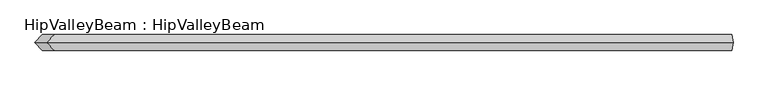
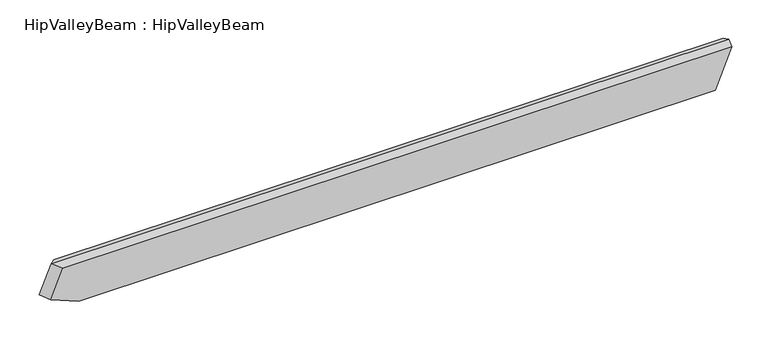
"""IFC4 building model written with IfcOpenShell, lengths in millimetres: beam geometry, HipValleyBeam : HipValleyBeam."""

from ifc_helpers import new_model, si_unit, origin, place, context, project, spatial, faceted_brep, source, transform, mapped, element, save


def hipvalleybeam_hipvalleybeam_26c04331(model_context):
    return source(origin(), model_context, "Body", "Brep", [
        faceted_brep([(1042.6634061, 25.0, -140.0), (1042.6634061, -25.0, -140.0), (-1024.6853619, -25.0, -140.0), (-1024.6853619, 25.0, -140.0), (1095.960583, 25.0, -9.4491118), (-1114.9292013, 25.0, -103.1581068), (-1076.6726643, 25.0, -9.4491118), (1095.960583, -25.0, -9.4491118), (-1076.6726643, -25.0, -9.4491118), (-1114.9292013, -25.0, -103.1581068), (1099.8181668, 0.0, 0.0), (-1099.8181668, 0.0, 0.0), (-1138.0747038, 0.0, -93.708995)], [[[0, 1, 2, 3]], [[4, 0, 3, 5, 6]], [[1, 7, 8, 9, 2]], [[1, 0, 4, 10, 7]], [[11, 6, 5, 12]], [[8, 11, 12, 9]], [[11, 10, 4, 6]], [[3, 2, 9, 12, 5]], [[10, 11, 8, 7]]]),
    ])


if __name__ == "__main__":
    model = new_model("IFC4")
    model_context = context("Model", 3, world=origin())
    ifc_project = project(units=[si_unit("LENGTHUNIT", "METRE", prefix="MILLI")], contexts=[model_context])
    site = spatial("IfcSite", under=ifc_project)
    building = spatial("IfcBuilding", under=site)
    placement = place(None, origin())
    hipvalleybeam_hipvalleybeam_shape = hipvalleybeam_hipvalleybeam_26c04331(model_context)
    element("IfcBeam", 1, ObjectType="HipValleyBeam : HipValleyBeam", at=placement, inside=building, context=model_context, shape_type="MappedRepresentation", body=[
        mapped(hipvalleybeam_hipvalleybeam_shape, transform((0.0, 0.0, 0.0), x_axis=(1.0, 0.0, 0.0), y_axis=(0.0, 1.0, 0.0), z_axis=(0.0, 0.0, 1.0))),
    ])
    save(model, "model.ifc")
